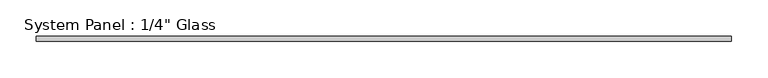
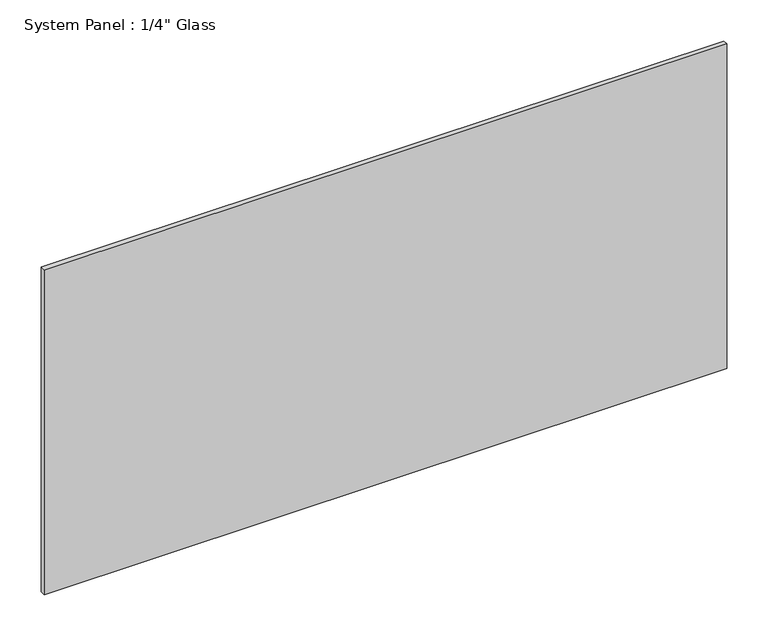
"""IFC4 building model written with IfcOpenShell, lengths in millimetres: plate geometry."""

from ifc_helpers import new_model, si_unit, origin, origin_with_axes, place, context, project, spatial, polyline, outline, extrude, source, transform, mapped, element, save


def plate_f233fb0c(model_context):
    return source(origin(), model_context, "Body", "SweptSolid", [
        extrude(outline(polyline([(476.25, -3.175), (-476.25, -3.175), (-476.25, 3.175), (476.25, 3.175), (476.25, -3.175)])), origin_with_axes(), (0.0, 0.0, 1.0), 479.425),
    ])


if __name__ == "__main__":
    model = new_model("IFC4")
    model_context = context("Model", 3, world=origin())
    ifc_project = project(units=[si_unit("LENGTHUNIT", "METRE", prefix="MILLI")], contexts=[model_context])
    site = spatial("IfcSite", under=ifc_project)
    building = spatial("IfcBuilding", under=site)
    placement = place(None, origin())
    plate_shape = plate_f233fb0c(model_context)
    element("IfcPlate", 1, ObjectType="System Panel : 1/4\" Glass", at=placement, inside=building, context=model_context, shape_type="MappedRepresentation", body=[
        mapped(plate_shape, transform((0.0, 0.0, 0.0), x_axis=(1.0, 0.0, 0.0), y_axis=(0.0, 1.0, 0.0), z_axis=(0.0, 0.0, 1.0))),
    ])
    save(model, "model.ifc")
